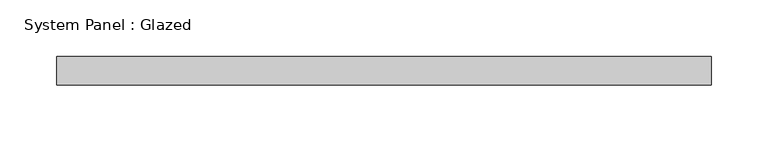
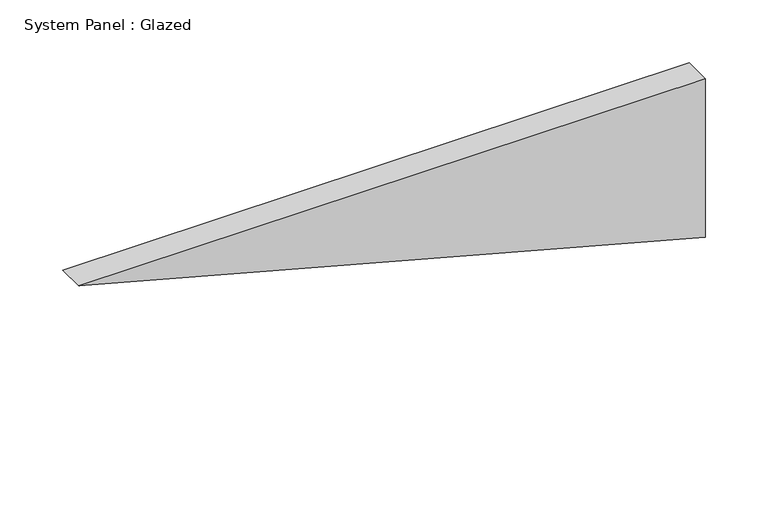
"""IFC4 building model written with IfcOpenShell, lengths in millimetres: plate geometry, System Panel : Glazed."""

import ifcopenshell
import ifcopenshell.guid

model = None  # the IFC model being written
_history = None  # IfcOwnerHistory: only IFC2X3 demands one
_inside = {}  # id of a spatial element -> (the spatial element, [elements in it])
_under = {}  # id of a project, library or spatial element -> (it, [spatial elements below it])
_declared = {}  # id of a project -> (the project, [libraries it declares])
_typed = {}  # id of a type object -> (the type object, [elements of that type])
_made_of = {}  # id of a material, layer set ... -> (it, [elements and type objects made of it])


def new_model(schema):
    """Start an empty IFC model of exactly this schema.

    Asked for "IFC4X3", IfcOpenShell would pick the latest addendum, in which some entities
    have other attributes; the version numbers below select the first issue.
    IFC2X3 requires an IfcOwnerHistory on every rooted entity: one is made here for all.
    """
    global model, _history
    if schema == "IFC4X3":
        model = ifcopenshell.file(schema_version=(4, 3, 0, 0))
    else:
        model = ifcopenshell.file(schema=schema)
    _inside.clear()
    _under.clear()
    _declared.clear()
    _typed.clear()
    _made_of.clear()
    _history = None
    if model.schema == "IFC2X3":
        org = make("IfcOrganization", Name="unknown")
        user = make(
            "IfcPersonAndOrganization",
            ThePerson=make("IfcPerson", FamilyName="unknown"),
            TheOrganization=org,
        )
        app = make(
            "IfcApplication",
            ApplicationDeveloper=org,
            Version="unknown",
            ApplicationFullName="unknown",
            ApplicationIdentifier="unknown",
        )
        _history = make(
            "IfcOwnerHistory",
            OwningUser=user,
            OwningApplication=app,
            ChangeAction="ADDED",
            CreationDate=0,
        )
    return model


def make(cls, **values):
    """One entity of the class cls with the attributes given. An attribute that is None is left unset."""
    return model.create_entity(
        cls, **{name: value for name, value in values.items() if value is not None}
    )


def rooted(cls, **values):
    """An entity with a GlobalId (a new one), such as an element, a storey or a relation."""
    return make(cls, GlobalId=ifcopenshell.guid.new(), OwnerHistory=_history, **values)


def si_unit(unit_type, name, prefix=None):
    """IfcSIUnit, for example si_unit("LENGTHUNIT", "METRE", prefix="MILLI")."""
    return make("IfcSIUnit", UnitType=unit_type, Prefix=prefix, Name=name)


def assignment(units):
    """IfcUnitAssignment: the units of a project."""
    return None if units is None else make("IfcUnitAssignment", Units=units)


def point(xyz):
    """IfcCartesianPoint."""
    return None if xyz is None else make("IfcCartesianPoint", Coordinates=xyz)


def direction(xyz):
    """IfcDirection."""
    return None if xyz is None else make("IfcDirection", DirectionRatios=xyz)


def frame(location, z_axis=None, x_axis=None):
    """IfcAxis2Placement3D, a coordinate frame: its origin and axes. An axis left out is left unset."""
    return make(
        "IfcAxis2Placement3D",
        Location=point(location),
        Axis=direction(z_axis),
        RefDirection=direction(x_axis),
    )


def origin():
    """The frame at (0, 0, 0) with its axes left unset."""
    return frame((0.0, 0.0, 0.0))


def place(relative_to, where):
    """IfcLocalPlacement: puts the frame where relative to a parent placement (None: the world)."""
    return make(
        "IfcLocalPlacement", PlacementRelTo=relative_to, RelativePlacement=where
    )


def context(
    kind, dimensions, precision=None, world=None, true_north=None, identifier=None
):
    """IfcGeometricRepresentationContext, for example the 3D "Model" context."""
    return make(
        "IfcGeometricRepresentationContext",
        ContextIdentifier=identifier,
        ContextType=kind,
        CoordinateSpaceDimension=dimensions,
        Precision=precision,
        WorldCoordinateSystem=world,
        TrueNorth=true_north,
    )


def project(units=None, contexts=None):
    """IfcProject with its units and contexts."""
    return rooted(
        "IfcProject",
        Name="project",
        RepresentationContexts=contexts,
        UnitsInContext=assignment(units),
    )


def spatial(cls, under=None, at=None, **own):
    """A site, building, storey or space (cls), placed at a placement, below another one or the project."""
    s = rooted(cls, ObjectPlacement=at, **own)
    if under is not None:
        _under.setdefault(under.id(), (under, []))[1].append(s)
    return s


def polyline(points):
    """IfcPolyline through the points."""
    return make("IfcPolyline", Points=[point(p) for p in points])


def outline(outer, holes=None, kind="AREA"):
    """IfcArbitraryClosedProfileDef: a profile drawn as a closed curve; with holes, ...WithVoids."""
    if holes is None:
        return make("IfcArbitraryClosedProfileDef", ProfileType=kind, OuterCurve=outer)
    return make(
        "IfcArbitraryProfileDefWithVoids",
        ProfileType=kind,
        OuterCurve=outer,
        InnerCurves=holes,
    )


def extrude(swept, where, along, depth):
    """IfcExtrudedAreaSolid: the profile swept, set in the frame where, extruded along a direction by depth."""
    return make(
        "IfcExtrudedAreaSolid",
        SweptArea=swept,
        Position=where,
        ExtrudedDirection=direction(along),
        Depth=depth,
    )


def shape(context_of_items, identifier, shape_type, items):
    """IfcShapeRepresentation: the items that make up one representation, for example the "Body"."""
    return make(
        "IfcShapeRepresentation",
        ContextOfItems=context_of_items,
        RepresentationIdentifier=identifier,
        RepresentationType=shape_type,
        Items=items,
    )


def source(mapping_origin, context_of_items, identifier, shape_type, items):
    """IfcRepresentationMap: a shape defined once, which mapped items show again and again."""
    return make(
        "IfcRepresentationMap",
        MappingOrigin=mapping_origin,
        MappedRepresentation=shape(context_of_items, identifier, shape_type, items),
    )


def transform(
    local_origin,
    x_axis=None,
    y_axis=None,
    z_axis=None,
    scale=None,
    scale2=None,
    scale3=None,
    uniform=True,
):
    """IfcCartesianTransformationOperator3D, or its non-uniform kind. x_axis, y_axis, z_axis: its Axis1, 2, 3."""
    if uniform:
        return make(
            "IfcCartesianTransformationOperator3D",
            Axis1=direction(x_axis),
            Axis2=direction(y_axis),
            LocalOrigin=point(local_origin),
            Scale=scale,
            Axis3=direction(z_axis),
        )
    return make(
        "IfcCartesianTransformationOperator3DnonUniform",
        Axis1=direction(x_axis),
        Axis2=direction(y_axis),
        LocalOrigin=point(local_origin),
        Scale=scale,
        Axis3=direction(z_axis),
        Scale2=scale2,
        Scale3=scale3,
    )


def mapped(mapping_source, mapping_target):
    """IfcMappedItem: shows the shape of a source again, moved by a transform."""
    return make(
        "IfcMappedItem", MappingSource=mapping_source, MappingTarget=mapping_target
    )


def made_of(thing, what):
    """Note that an element or type object is made of a material, layer set ...; save() writes the relation."""
    if what is not None:
        _made_of.setdefault(what.id(), (what, []))[1].append(thing)
    return thing


def element(
    cls,
    number,
    at=None,
    inside=None,
    cuts=None,
    type_object=None,
    material=None,
    context=None,
    identifier="Body",
    shape_type=None,
    held_by="IfcProductDefinitionShape",
    body=None,
    shapes=None,
    **own,
):
    """One element of the class cls, such as IfcWall. Its Tag is "e" and its number.

    at: its placement. inside: the storey or other place that contains it. cuts: it is an
    opening in that element (IfcRelVoidsElement). A single representation is given by context,
    identifier, shape_type and body (its items); several are given by shapes. held_by: the class
    of the entity that holds the representations. save() writes the other relations.
    """
    e = rooted(cls, Tag="e%d" % number, ObjectPlacement=at, **own)
    if body is not None:
        shapes = [shape(context, identifier, shape_type, body)]
    if shapes is not None:
        e.Representation = make(held_by, Representations=shapes)
    if inside is not None:
        _inside.setdefault(inside.id(), (inside, []))[1].append(e)
    if cuts is not None:
        rooted(
            "IfcRelVoidsElement", RelatingBuildingElement=cuts, RelatedOpeningElement=e
        )
    if type_object is not None:
        _typed.setdefault(type_object.id(), (type_object, []))[1].append(e)
    return made_of(e, material)


def aggregate(whole, parts):
    """IfcRelAggregates: a whole, such as a stair, and the parts it consists of."""
    return rooted("IfcRelAggregates", RelatingObject=whole, RelatedObjects=parts)


def save(model, path):
    """Write the relations noted so far, then the file.

    IfcRelAggregates (storeys below a building ...), IfcRelContainedInSpatialStructure (elements
    in a storey), IfcRelDefinesByType, IfcRelAssociatesMaterial and IfcRelDeclares: one each for
    every whole, place, type object, material and project.
    """
    for whole, parts in _under.values():
        aggregate(whole, parts)
    for where, things in _inside.values():
        rooted(
            "IfcRelContainedInSpatialStructure",
            RelatedElements=things,
            RelatingStructure=where,
        )
    for kind, things in _typed.values():
        rooted("IfcRelDefinesByType", RelatedObjects=things, RelatingType=kind)
    for what, things in _made_of.values():
        rooted("IfcRelAssociatesMaterial", RelatedObjects=things, RelatingMaterial=what)
    for by, libraries in _declared.values():
        rooted("IfcRelDeclares", RelatingContext=by, RelatedDefinitions=libraries)
    model.write(path)


def system_panel_glazed_0ab9b614(model_context):
    return source(origin(), model_context, "Body", "SweptSolid", [
        extrude(outline(polyline([(154.0711274, -287.5006378), (0.0, 287.5006378), (154.0711274, 287.5006378), (154.0711274, -287.5006378)])), frame((0.0, -2.5, 0.0), z_axis=(0.0, 1.0, 0.0), x_axis=(0.0, 0.0, 1.0)), (0.0, 0.0, 1.0), 25.0),
    ])


if __name__ == "__main__":
    model = new_model("IFC4")
    model_context = context("Model", 3, world=origin())
    ifc_project = project(units=[si_unit("LENGTHUNIT", "METRE", prefix="MILLI")], contexts=[model_context])
    site = spatial("IfcSite", under=ifc_project)
    building = spatial("IfcBuilding", under=site)
    placement = place(None, origin())
    system_panel_glazed_shape = system_panel_glazed_0ab9b614(model_context)
    element("IfcPlate", 1, ObjectType="System Panel : Glazed", at=placement, inside=building, context=model_context, shape_type="MappedRepresentation", body=[
        mapped(system_panel_glazed_shape, transform((0.0, 0.0, 0.0), x_axis=(1.0, 0.0, 0.0), y_axis=(0.0, 1.0, 0.0), z_axis=(0.0, 0.0, 1.0))),
    ])
    save(model, "model.ifc")
